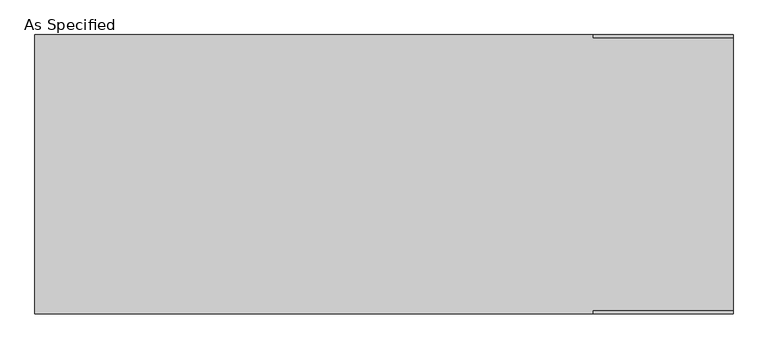
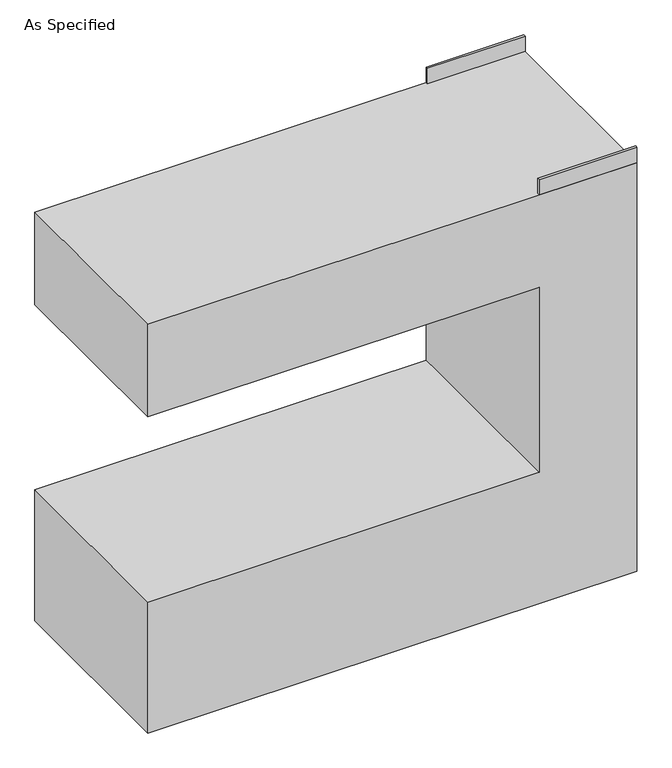
"""IFC4 building model written with IfcOpenShell, lengths in millimetres: proxy geometry, As Specified."""

from ifc_helpers import new_model, si_unit, frame, origin, place, context, project, spatial, polyline, outline, extrude, source, transform, mapped, element, save


def as_specified_b1fa5371(model_context):
    return source(origin(), model_context, "Body", "SweptSolid", [
        extrude(outline(polyline([(457.2, -304.8), (457.2, -298.45), (762.0, -298.45), (762.0, -304.8), (457.2, -304.8)])), frame((0.0, 0.0, 1346.2), z_axis=(0.0, 0.0, 1.0), x_axis=(1.0, 0.0, 0.0)), (0.0, 0.0, 1.0), 50.8),
        extrude(outline(polyline([(457.2, 298.45), (457.2, 304.8), (762.0, 304.8), (762.0, 298.45), (457.2, 298.45)])), frame((0.0, 0.0, 1346.2), z_axis=(0.0, 0.0, 1.0), x_axis=(1.0, 0.0, 0.0)), (0.0, 0.0, 1.0), 50.8),
        extrude(outline(polyline([(1346.2, 762.0), (1346.2, -762.0), (1041.4, -762.0), (1041.4, 457.2), (431.8, 457.2), (431.8, -762.0), (0.0, -762.0), (0.0, 762.0), (1346.2, 762.0)])), frame((0.0, -304.8, 0.0), z_axis=(0.0, 1.0, 0.0), x_axis=(0.0, 0.0, 1.0)), (0.0, 0.0, 1.0), 609.6),
    ])


if __name__ == "__main__":
    model = new_model("IFC4")
    model_context = context("Model", 3, world=origin())
    ifc_project = project(units=[si_unit("LENGTHUNIT", "METRE", prefix="MILLI")], contexts=[model_context])
    site = spatial("IfcSite", under=ifc_project)
    building = spatial("IfcBuilding", under=site)
    placement = place(None, origin())
    as_specified_shape = as_specified_b1fa5371(model_context)
    element("IfcBuildingElementProxy", 1, Name="As Specified", ObjectType="As Specified", at=placement, inside=building, context=model_context, shape_type="MappedRepresentation", body=[
        mapped(as_specified_shape, transform((0.0, 0.0, 0.0), x_axis=(1.0, 0.0, 0.0), y_axis=(0.0, 1.0, 0.0), z_axis=(0.0, 0.0, 1.0))),
    ])
    save(model, "model.ifc")
